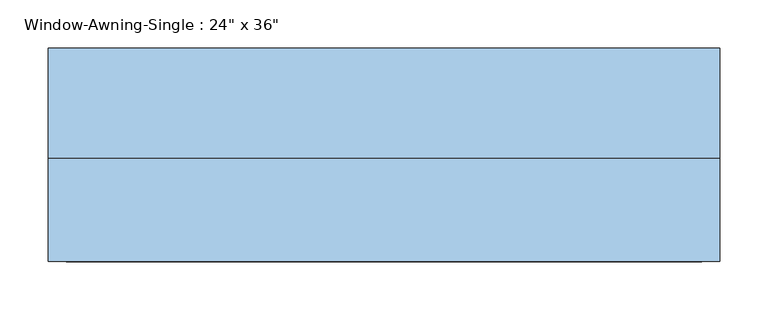
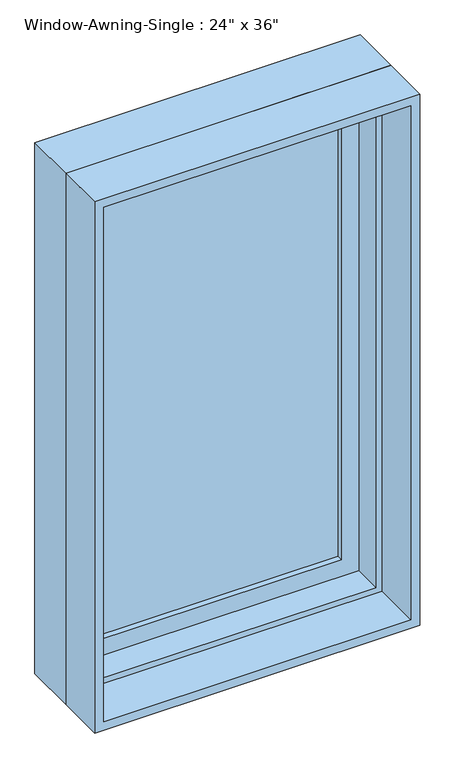
"""IFC4 building model written with IfcOpenShell, lengths in millimetres: window geometry."""

from ifc_helpers import new_model, si_unit, frame, origin, place, context, project, spatial, polyline, outline, extrude, faceted_brep, source, transform, mapped, element, save


def window_21333e6c(model_context):
    return source(origin(), model_context, "Body", "SolidModel", [
        faceted_brep([(336.55, 69.85, 927.1), (336.55, 120.65, 927.1), (-336.55, 120.65, 927.1), (-336.55, 69.85, 927.1), (317.5, 6.35, 946.15), (317.5, 69.85, 946.15), (-317.5, 69.85, 946.15), (-317.5, 6.35, 946.15), (349.25, 120.65, 914.4), (349.25, 6.35, 914.4), (-349.25, 6.35, 914.4), (-349.25, 120.65, 914.4), (-336.55, 120.65, 2108.2), (-336.55, 69.85, 2108.2), (-317.5, 69.85, 2089.15), (-317.5, 6.35, 2089.15), (-349.25, 6.35, 2120.9), (-349.25, 120.65, 2120.9), (336.55, 120.65, 2108.2), (336.55, 69.85, 2108.2), (317.5, 69.85, 2089.15), (317.5, 6.35, 2089.15), (349.25, 6.35, 2120.9), (349.25, 120.65, 2120.9)], [[[0, 1, 2, 3]], [[4, 5, 6, 7]], [[8, 9, 10, 11]], [[3, 2, 12, 13]], [[7, 6, 14, 15]], [[11, 10, 16, 17]], [[13, 12, 18, 19]], [[15, 14, 20, 21]], [[17, 16, 22, 23]], [[11, 17, 23, 8], [1, 18, 12, 2]], [[19, 18, 1, 0]], [[3, 13, 19, 0], [5, 20, 14, 6]], [[21, 20, 5, 4]], [[9, 22, 16, 10], [7, 15, 21, 4]], [[23, 22, 9, 8]]]),
        extrude(outline(polyline([(279.4, 101.6), (279.4, 95.25), (-279.4, 95.25), (-279.4, 101.6), (279.4, 101.6)])), frame((0.0, 0.0, 984.25), z_axis=(0.0, 0.0, 1.0), x_axis=(1.0, 0.0, 0.0)), (0.0, 0.0, 1.0), 1066.8),
        extrude(outline(polyline([(279.4, 88.9), (279.4, 82.55), (-279.4, 82.55), (-279.4, 88.9), (279.4, 88.9)])), frame((0.0, 0.0, 984.25), z_axis=(0.0, 0.0, 1.0), x_axis=(1.0, 0.0, 0.0)), (0.0, 0.0, 1.0), 1066.8),
        extrude(outline(polyline([(927.1, -336.55), (927.1, 336.55), (2108.2, 336.55), (2108.2, -336.55), (927.1, -336.55)]), holes=[polyline([(2051.05, -279.4), (2051.05, 279.4), (984.25, 279.4), (984.25, -279.4), (2051.05, -279.4)])]), frame((0.0, 69.85, 0.0), z_axis=(0.0, 1.0, 0.0), x_axis=(0.0, 0.0, 1.0)), (0.0, 0.0, 1.0), 44.45),
        extrude(outline(polyline([(2120.9, -349.25), (914.4, -349.25), (914.4, 349.25), (2120.9, 349.25), (2120.9, -349.25)]), holes=[polyline([(2101.85, -330.2), (2101.85, 330.2), (933.45, 330.2), (933.45, -330.2), (2101.85, -330.2)])]), frame((0.0, -101.6, 0.0), z_axis=(0.0, 1.0, 0.0), x_axis=(0.0, 0.0, 1.0)), (0.0, 0.0, 1.0), 107.95),
    ])


if __name__ == "__main__":
    model = new_model("IFC4")
    model_context = context("Model", 3, world=origin())
    ifc_project = project(units=[si_unit("LENGTHUNIT", "METRE", prefix="MILLI")], contexts=[model_context])
    site = spatial("IfcSite", under=ifc_project)
    building = spatial("IfcBuilding", under=site)
    placement = place(None, origin())
    window_shape = window_21333e6c(model_context)
    element("IfcWindow", 1, ObjectType="Window-Awning-Single : 24\" x 36\"", at=placement, inside=building, context=model_context, shape_type="MappedRepresentation", body=[
        mapped(window_shape, transform((0.0, 0.0, 0.0), x_axis=(1.0, 0.0, 0.0), y_axis=(0.0, 1.0, 0.0), z_axis=(0.0, 0.0, 1.0))),
    ])
    save(model, "model.ifc")
